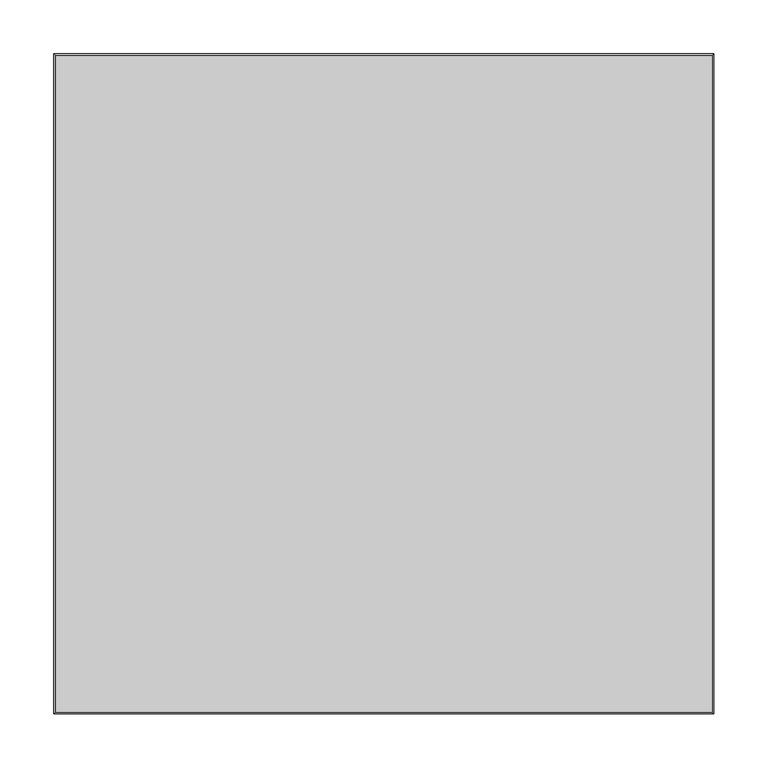
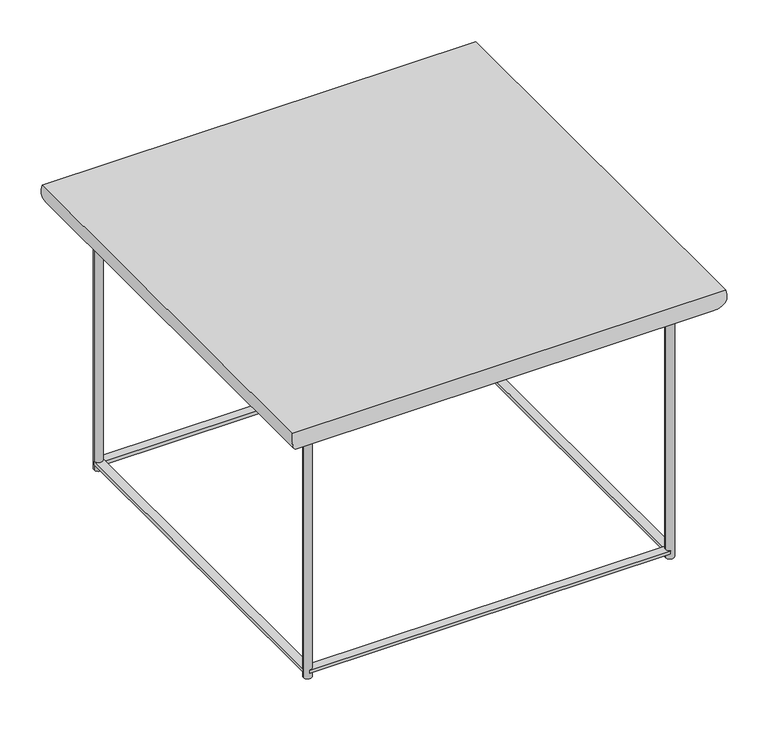
"""IFC4 building model written with IfcOpenShell, lengths in millimetres: furniture geometry."""

from ifc_helpers import new_model, si_unit, point, frame, frame_2d, origin, origin_with_axes, place, context, project, spatial, polyline, circle_curve, ellipse_curve, trimmed, segment, composite_curve, outline, extrude, source, transform, mapped, element, save
from ifc_brep_helpers import plane_surface, cylinder_surface, advanced_brep


def furniture_b6188ee0(model_context):
    return source(origin(), model_context, "Body", "SolidModel", [
        advanced_brep(
        [(274.60956, 274.61718, 368.94008), (304.8, 304.80762, 408.94), (304.8, -304.80762, 408.94), (274.60956, -274.61718, 368.94008), (-304.8, -304.80762, 408.94), (-274.60956, -274.61718, 368.94008), (-304.8, 304.80762, 408.94), (-274.60956, 274.61718, 368.94008)],
        [
            (0, 1, ellipse_curve(frame((274.60956, 274.61718, 400.3333461), z_axis=(0.7071067811865475, -0.7071067811865475, 0.0), x_axis=(0.7071067811865474, 0.7071067811865476, 0.0)), 44.3967827, 31.3932661)),
            (1, 2),
            (2, 3, ellipse_curve(frame((274.60956, -274.61718, 400.3333461), z_axis=(0.7071067811865475, 0.7071067811865475, 0.0), x_axis=(-0.7071067811865474, 0.7071067811865476, 0.0)), 44.3967827, 31.3932661)),
            (3, 0),
            (2, 4),
            (4, 5, ellipse_curve(frame((-274.60956, -274.61718, 400.3333461), z_axis=(0.7071067811865475, -0.7071067811865475, 0.0), x_axis=(0.7071067811865476, 0.7071067811865474, 0.0)), 44.3967827, 31.3932661)),
            (5, 3),
            (4, 6),
            (6, 7, ellipse_curve(frame((-274.60956, 274.61718, 400.3333461), z_axis=(-0.7071067811865475, -0.7071067811865475, 0.0), x_axis=(0.7071067811865474, -0.7071067811865476, 0.0)), 44.3967827, 31.3932661)),
            (7, 5),
            (1, 6),
            (0, 7),
        ],
        [
            cylinder_surface(frame((274.60956, 254.82042, 400.3333461), z_axis=(0.0, 1.0, 0.0), x_axis=(1.0, 0.0, 0.0)), 31.3932661),
            cylinder_surface(frame((254.8128, -274.61718, 400.3333461), z_axis=(1.0, 0.0, 0.0), x_axis=(0.0, -1.0, 0.0)), 31.3932661),
            cylinder_surface(frame((-274.60956, -254.82042, 400.3333461), z_axis=(0.0, -1.0, 0.0), x_axis=(-1.0, 0.0, 0.0)), 31.3932661),
            plane_surface(frame((-254.8128, 254.82042, 408.94), z_axis=(0.0, 0.0, 1.0), x_axis=(1.0, 0.0, 0.0))),
            cylinder_surface(frame((-254.8128, 274.61718, 400.3333461), z_axis=(-1.0, 0.0, 0.0), x_axis=(0.0, 1.0, 0.0)), 31.3932661),
            plane_surface(frame((-274.60956, 274.61718, 368.94008), z_axis=(0.0, 0.0, -1.0), x_axis=(1.0, 0.0, 0.0))),
        ],
        [
            (0, [[1, 2, 3, 4]]),
            (1, [[-3, 5, 6, 7]]),
            (2, [[-6, 8, 9, 10]]),
            (3, [[-2, 11, -8, -5]]),
            (4, [[-1, 12, -9, -11]]),
            (5, [[-4, -7, -10, -12]]),
        ],
    ),
        advanced_brep(
        [(-248.81332, -254.82042, 12.50061), (-260.81228, -254.82042, 12.50061), (-260.81228, -254.82042, 7.49935), (-248.81332, -254.82042, 7.49935), (-248.81332, 254.82042, 368.94008), (-260.81228, 254.82042, 368.94008), (-248.81332, 254.82042, 0.0), (-260.81228, 254.82042, 0.0), (-248.81332, 254.82042, 12.50061), (-260.81228, 254.82042, 12.50061), (-260.81228, 254.82042, 7.49935), (-248.81332, 254.82042, 7.49935)],
        [
            (0, 1),
            (1, 2),
            (2, 3),
            (3, 0),
            (4, 5, circle_curve(frame((-254.8128, 254.82042, 368.94008), z_axis=(0.0, 0.0, 1.0), x_axis=(1.0, 0.0, 0.0)), 5.99948)),
            (5, 4, circle_curve(frame((-254.8128, 254.82042, 368.94008), z_axis=(0.0, 0.0, 1.0), x_axis=(1.0, 0.0, 0.0)), 5.99948)),
            (6, 7, circle_curve(frame((-254.8128, 254.82042, 0.0), z_axis=(0.0, 0.0, -1.0), x_axis=(1.0, 0.0, 0.0)), 5.99948)),
            (7, 6, circle_curve(frame((-254.8128, 254.82042, 0.0), z_axis=(0.0, 0.0, -1.0), x_axis=(1.0, 0.0, 0.0)), 5.99948)),
            (0, 8),
            (8, 9, circle_curve(frame((-254.8128, 254.82042, 12.50061), z_axis=(0.0, 0.0, -1.0), x_axis=(1.0, 0.0, 0.0)), 5.99948)),
            (9, 1),
            (9, 10),
            (10, 2),
            (10, 11, circle_curve(frame((-254.8128, 254.82042, 7.49935), z_axis=(0.0, 0.0, 1.0), x_axis=(1.0, 0.0, 0.0)), 5.99948)),
            (11, 3),
            (11, 8),
            (4, 8),
            (11, 6),
            (7, 10),
            (9, 5),
        ],
        [
            plane_surface(frame((-248.81332, -254.82042, 12.50061), z_axis=(0.0, -1.0, 0.0), x_axis=(-1.0, 0.0, 0.0))),
            plane_surface(frame((-248.81332, 254.82042, 368.94008), z_axis=(0.0, 0.0, 1.0), x_axis=(0.0, 1.0, 0.0))),
            plane_surface(frame((-248.81332, 254.82042, 0.0), z_axis=(0.0, 0.0, -1.0), x_axis=(0.0, -1.0, 0.0))),
            plane_surface(frame((-248.81332, -254.82042, 12.50061), z_axis=(0.0, 0.0, 1.0), x_axis=(0.0, 1.0, 0.0))),
            plane_surface(frame((-260.81228, -254.82042, 12.50061), z_axis=(-1.0, 0.0, 0.0), x_axis=(0.0, 1.0, 0.0))),
            plane_surface(frame((-260.81228, -254.82042, 7.49935), z_axis=(0.0, 0.0, -1.0), x_axis=(0.0, 1.0, 0.0))),
            plane_surface(frame((-248.81332, -254.82042, 7.49935), z_axis=(1.0, 0.0, 0.0), x_axis=(0.0, 1.0, 0.0))),
            cylinder_surface(frame((-254.8128, 254.82042, 0.0), z_axis=(0.0, 0.0, 1.0), x_axis=(1.0, 0.0, 0.0)), 5.99948),
        ],
        [
            (0, [[1, 2, 3, 4]]),
            (1, [[5, 6]]),
            (2, [[7, 8]]),
            (3, [[-1, 9, 10, 11]]),
            (4, [[-2, -11, 12, 13]]),
            (5, [[-3, -13, 14, 15]]),
            (6, [[-4, -15, 16, -9]]),
            (7, [[-5, 17, -16, 18, -8, 19, -12, 20]]),
            (7, [[-6, -20, -10, -17]]),
            (7, [[-7, -18, -14, -19]]),
        ],
    ),
        advanced_brep(
        [(260.81228, 254.82042, 368.94008), (248.81332, 254.82042, 368.94008), (260.81228, 254.82042, 0.0), (248.81332, 254.82042, 0.0)],
        [
            (0, 1, circle_curve(frame((254.8128, 254.82042, 368.94008), z_axis=(0.0, 0.0, 1.0), x_axis=(1.0, 0.0, 0.0)), 5.99948)),
            (1, 0, circle_curve(frame((254.8128, 254.82042, 368.94008), z_axis=(0.0, 0.0, 1.0), x_axis=(1.0, 0.0, 0.0)), 5.99948)),
            (2, 3, circle_curve(frame((254.8128, 254.82042, 0.0), z_axis=(0.0, 0.0, -1.0), x_axis=(1.0, 0.0, 0.0)), 5.99948)),
            (3, 2, circle_curve(frame((254.8128, 254.82042, 0.0), z_axis=(0.0, 0.0, -1.0), x_axis=(1.0, 0.0, 0.0)), 5.99948)),
            (0, 2),
            (3, 1),
        ],
        [
            plane_surface(frame((260.81228, 254.82042, 368.94008), z_axis=(0.0, 0.0, 1.0), x_axis=(0.0, 1.0, 0.0))),
            plane_surface(frame((260.81228, 254.82042, 0.0), z_axis=(0.0, 0.0, -1.0), x_axis=(0.0, -1.0, 0.0))),
            cylinder_surface(frame((254.8128, 254.82042, 0.0), z_axis=(0.0, 0.0, 1.0), x_axis=(1.0, 0.0, 0.0)), 5.99948),
        ],
        [
            (0, [[1, 2]]),
            (1, [[3, 4]]),
            (2, [[-1, 5, -4, 6]]),
            (2, [[-2, -6, -3, -5]]),
        ],
    ),
        advanced_brep(
        [(260.81228, -254.82042, 368.94008), (248.81332, -254.82042, 368.94008), (260.81228, -254.82042, 0.0), (248.81332, -254.82042, 0.0)],
        [
            (0, 1, circle_curve(frame((254.8128, -254.82042, 368.94008), z_axis=(0.0, 0.0, 1.0), x_axis=(1.0, 0.0, 0.0)), 5.99948)),
            (1, 0, circle_curve(frame((254.8128, -254.82042, 368.94008), z_axis=(0.0, 0.0, 1.0), x_axis=(1.0, 0.0, 0.0)), 5.99948)),
            (2, 3, circle_curve(frame((254.8128, -254.82042, 0.0), z_axis=(0.0, 0.0, -1.0), x_axis=(1.0, 0.0, 0.0)), 5.99948)),
            (3, 2, circle_curve(frame((254.8128, -254.82042, 0.0), z_axis=(0.0, 0.0, -1.0), x_axis=(1.0, 0.0, 0.0)), 5.99948)),
            (0, 2),
            (3, 1),
        ],
        [
            plane_surface(frame((260.81228, -254.82042, 368.94008), z_axis=(0.0, 0.0, 1.0), x_axis=(0.0, 1.0, 0.0))),
            plane_surface(frame((260.81228, -254.82042, 0.0), z_axis=(0.0, 0.0, -1.0), x_axis=(0.0, -1.0, 0.0))),
            cylinder_surface(frame((254.8128, -254.82042, 0.0), z_axis=(0.0, 0.0, 1.0), x_axis=(1.0, 0.0, 0.0)), 5.99948),
        ],
        [
            (0, [[1, 2]]),
            (1, [[3, 4]]),
            (2, [[-1, 5, -4, 6]]),
            (2, [[-2, -6, -3, -5]]),
        ],
    ),
        extrude(outline(polyline([(254.8128, -248.82094), (254.8128, -260.8199), (-254.8128, -260.8199), (-254.8128, -248.82094), (254.8128, -248.82094)])), frame((0.0, 0.0, 7.49935), z_axis=(0.0, 0.0, 1.0), x_axis=(1.0, 0.0, 0.0)), (0.0, 0.0, 1.0), 5.00126),
        extrude(outline(polyline([(254.8128, 260.8199), (254.8128, 248.82094), (-254.8128, 248.82094), (-254.8128, 260.8199), (254.8128, 260.8199)])), frame((0.0, 0.0, 7.49935), z_axis=(0.0, 0.0, 1.0), x_axis=(1.0, 0.0, 0.0)), (0.0, 0.0, 1.0), 5.00126),
        extrude(outline(polyline([(260.81228, -254.82042), (248.81332, -254.82042), (248.81332, 254.82042), (260.81228, 254.82042), (260.81228, -254.82042)])), frame((0.0, 0.0, 7.49935), z_axis=(0.0, 0.0, 1.0), x_axis=(1.0, 0.0, 0.0)), (0.0, 0.0, 1.0), 5.00126),
        extrude(outline(composite_curve([segment(trimmed(circle_curve(frame_2d((-254.8128, -254.82042)), 5.99948), [point((-248.81332, -254.82042))], [point((-260.81228, -254.82042))], False, "CARTESIAN"), True, "CONTINUOUS"), segment(trimmed(circle_curve(frame_2d((-254.8128, -254.82042)), 5.99948), [point((-260.81228, -254.82042))], [point((-248.81332, -254.82042))], False, "CARTESIAN"), True, "CONTINUOUS")], self_intersect=False)), origin_with_axes(), (0.0, 0.0, 1.0), 368.94008),
    ])


if __name__ == "__main__":
    model = new_model("IFC4")
    model_context = context("Model", 3, world=origin())
    ifc_project = project(units=[si_unit("LENGTHUNIT", "METRE", prefix="MILLI")], contexts=[model_context])
    site = spatial("IfcSite", under=ifc_project)
    building = spatial("IfcBuilding", under=site)
    placement = place(None, origin())
    furniture_shape = furniture_b6188ee0(model_context)
    element("IfcFurniture", 1, at=placement, inside=building, context=model_context, shape_type="MappedRepresentation", body=[
        mapped(furniture_shape, transform((0.0, 0.0, 0.0), x_axis=(1.0, 0.0, 0.0), y_axis=(0.0, 1.0, 0.0), z_axis=(0.0, 0.0, 1.0))),
    ])
    save(model, "model.ifc")
